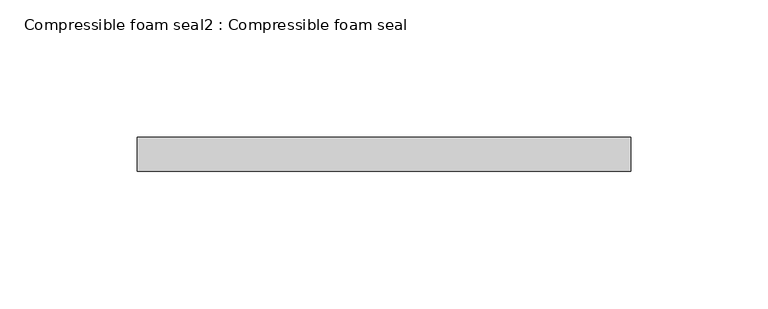
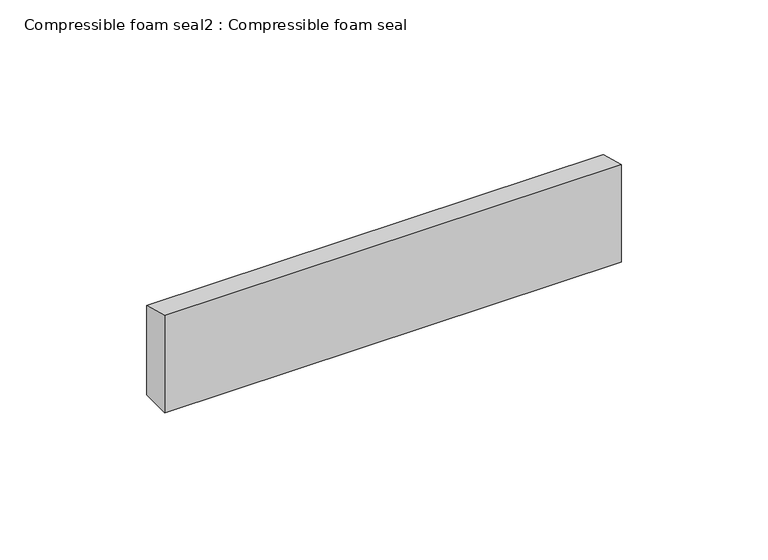
"""IFC4 building model written with IfcOpenShell, lengths in millimetres: proxy geometry, Compressible foam seal2 : Compressible foam seal."""

from ifc_helpers import new_model, si_unit, frame, origin, place, context, project, spatial, polyline, outline, extrude, source, transform, mapped, element, save


def compressible_foam_seal2_compressible_foam_seal_5c3880db(model_context):
    return source(origin(), model_context, "Body", "SweptSolid", [
        extrude(outline(polyline([(5659.8333305, -343.5448265), (5672.2344915, -346.8677076), (5672.2344915, -384.0410003), (5659.8333305, -384.0410003), (5659.8333305, -343.5448265)])), frame((17312.8302563, 0.0, 0.0), z_axis=(1.0, 0.0, 0.0), x_axis=(0.0, 1.0, 0.0)), (0.0, 0.0, 1.0), 179.5239223),
    ])


if __name__ == "__main__":
    model = new_model("IFC4")
    model_context = context("Model", 3, world=origin())
    ifc_project = project(units=[si_unit("LENGTHUNIT", "METRE", prefix="MILLI")], contexts=[model_context])
    site = spatial("IfcSite", under=ifc_project)
    building = spatial("IfcBuilding", under=site)
    placement = place(None, origin())
    compressible_foam_seal2_compressible_foam_seal_shape = compressible_foam_seal2_compressible_foam_seal_5c3880db(model_context)
    element("IfcBuildingElementProxy", 1, Name="Compressible foam seal2 : Compressible foam seal", ObjectType="Compressible foam seal2 : Compressible foam seal", at=placement, inside=building, context=model_context, shape_type="MappedRepresentation", body=[
        mapped(compressible_foam_seal2_compressible_foam_seal_shape, transform((0.0, 0.0, 0.0), x_axis=(1.0, 0.0, 0.0), y_axis=(0.0, 1.0, 0.0), z_axis=(0.0, 0.0, 1.0))),
    ])
    save(model, "model.ifc")
